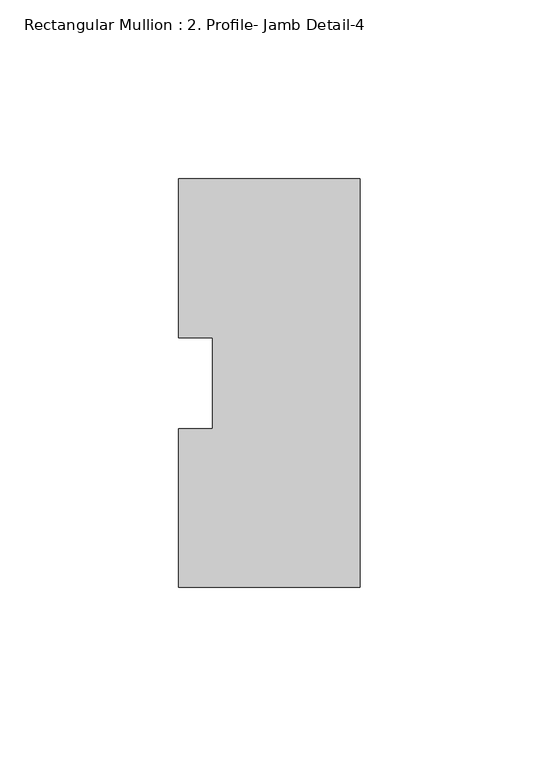
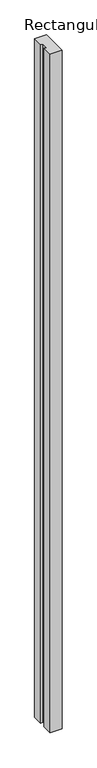
"""IFC4 building model written with IfcOpenShell, lengths in millimetres: member geometry, Rectangular Mullion : 2. Profile- Jamb Detail-4."""

from ifc_helpers import new_model, si_unit, frame, origin, place, context, project, spatial, polyline, outline, extrude, source, transform, mapped, element, save


def rectangular_mullion_2_profile_jamb_detail_4_40b8e2e1(model_context):
    return source(origin(), model_context, "Body", "SweptSolid", [
        extrude(outline(polyline([(-50.8, -57.1388465), (-50.8, -12.7438492), (-41.275, -12.7438492), (-41.275, 12.7438492), (-50.8, 12.7438492), (-50.8, 57.1611535), (0.0, 57.1611535), (0.0, -57.1388465), (-50.8, -57.1388465)])), frame((0.0, 0.0, -3048.0), z_axis=(0.0, 0.0, 1.0), x_axis=(1.0, 0.0, 0.0)), (0.0, 0.0, 1.0), 3048.0),
    ])


if __name__ == "__main__":
    model = new_model("IFC4")
    model_context = context("Model", 3, world=origin())
    ifc_project = project(units=[si_unit("LENGTHUNIT", "METRE", prefix="MILLI")], contexts=[model_context])
    site = spatial("IfcSite", under=ifc_project)
    building = spatial("IfcBuilding", under=site)
    placement = place(None, origin())
    rectangular_mullion_2_profile_jamb_detail_4_shape = rectangular_mullion_2_profile_jamb_detail_4_40b8e2e1(model_context)
    element("IfcMember", 1, ObjectType="Rectangular Mullion : 2. Profile- Jamb Detail-4", at=placement, inside=building, context=model_context, shape_type="MappedRepresentation", body=[
        mapped(rectangular_mullion_2_profile_jamb_detail_4_shape, transform((0.0, 0.0, 0.0), x_axis=(1.0, 0.0, 0.0), y_axis=(0.0, 1.0, 0.0), z_axis=(0.0, 0.0, 1.0))),
    ])
    save(model, "model.ifc")
